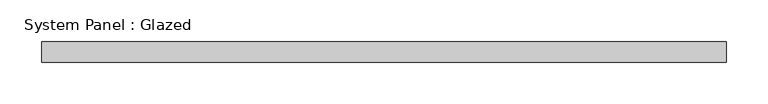
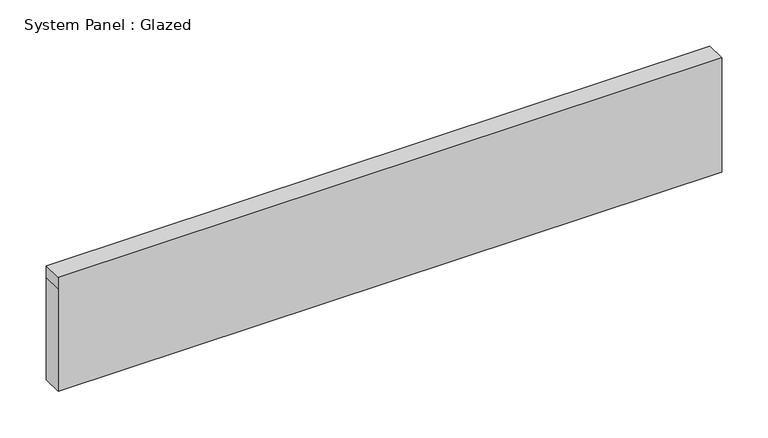
"""IFC4 building model written with IfcOpenShell, lengths in millimetres: plate geometry, System Panel : Glazed."""

from ifc_helpers import new_model, si_unit, frame, origin, place, context, project, spatial, polyline, outline, extrude, source, transform, mapped, element, save


def system_panel_glazed_fefaeb19(model_context):
    return source(origin(), model_context, "Body", "SweptSolid", [
        extrude(outline(polyline([(0.0, -412.5), (0.0, 412.5), (135.0, 412.5), (150.0, 412.5), (150.0, -412.5), (135.0, -412.5), (0.0, -412.5)])), frame((0.0, 24.5, 0.0), z_axis=(0.0, 1.0, 0.0), x_axis=(0.0, 0.0, 1.0)), (0.0, 0.0, 1.0), 25.0),
    ])


if __name__ == "__main__":
    model = new_model("IFC4")
    model_context = context("Model", 3, world=origin())
    ifc_project = project(units=[si_unit("LENGTHUNIT", "METRE", prefix="MILLI")], contexts=[model_context])
    site = spatial("IfcSite", under=ifc_project)
    building = spatial("IfcBuilding", under=site)
    placement = place(None, origin())
    system_panel_glazed_shape = system_panel_glazed_fefaeb19(model_context)
    element("IfcPlate", 1, ObjectType="System Panel : Glazed", at=placement, inside=building, context=model_context, shape_type="MappedRepresentation", body=[
        mapped(system_panel_glazed_shape, transform((0.0, 0.0, 0.0), x_axis=(1.0, 0.0, 0.0), y_axis=(0.0, 1.0, 0.0), z_axis=(0.0, 0.0, 1.0))),
    ])
    save(model, "model.ifc")
